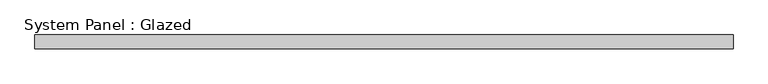
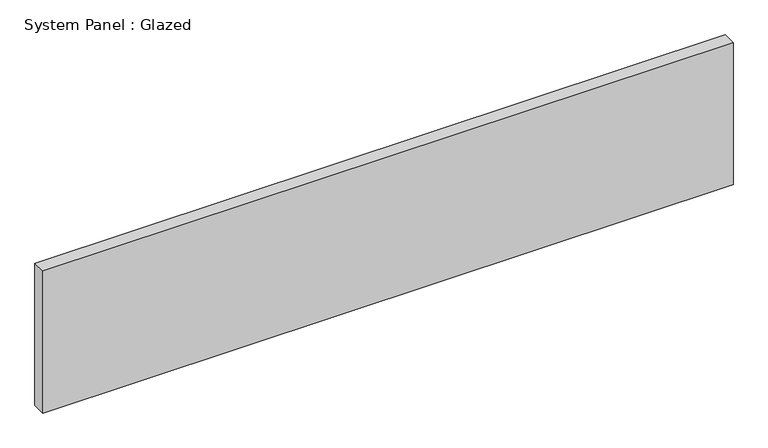
"""IFC4 building model written with IfcOpenShell, lengths in millimetres: plate geometry, System Panel : Glazed."""

from ifc_helpers import new_model, si_unit, origin, origin_with_axes, place, context, project, spatial, polyline, outline, extrude, source, transform, mapped, element, save


def system_panel_glazed_c2afbb9f(model_context):
    return source(origin(), model_context, "Body", "SweptSolid", [
        extrude(outline(polyline([(641.35, 19.05), (-641.35, 19.05), (-641.35, 44.45), (641.35, 44.45), (641.35, 19.05)])), origin_with_axes(), (0.0, 0.0, 1.0), 279.4),
    ])


if __name__ == "__main__":
    model = new_model("IFC4")
    model_context = context("Model", 3, world=origin())
    ifc_project = project(units=[si_unit("LENGTHUNIT", "METRE", prefix="MILLI")], contexts=[model_context])
    site = spatial("IfcSite", under=ifc_project)
    building = spatial("IfcBuilding", under=site)
    placement = place(None, origin())
    system_panel_glazed_shape = system_panel_glazed_c2afbb9f(model_context)
    element("IfcPlate", 1, ObjectType="System Panel : Glazed", at=placement, inside=building, context=model_context, shape_type="MappedRepresentation", body=[
        mapped(system_panel_glazed_shape, transform((0.0, 0.0, 0.0), x_axis=(1.0, 0.0, 0.0), y_axis=(0.0, 1.0, 0.0), z_axis=(0.0, 0.0, 1.0))),
    ])
    save(model, "model.ifc")
